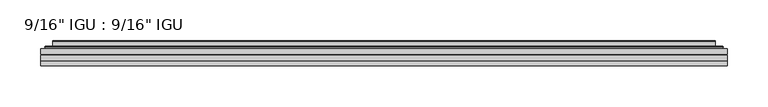
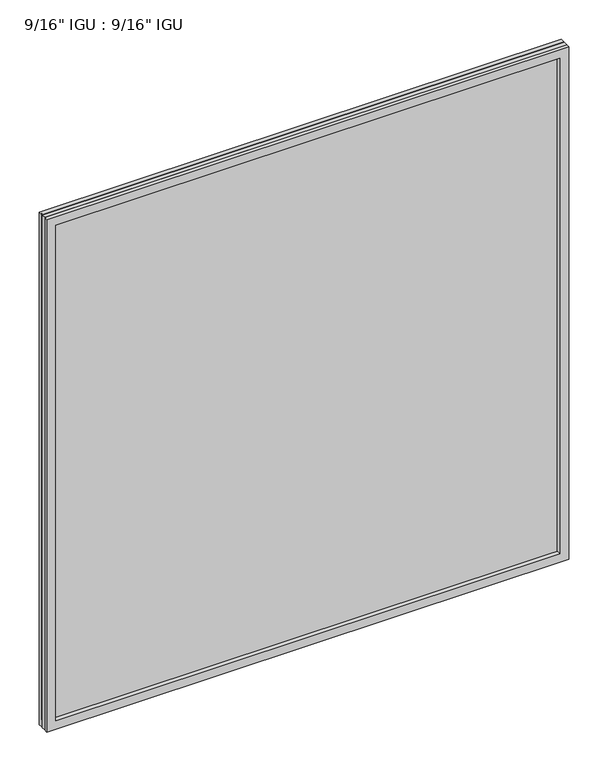
"""IFC4 building model written with IfcOpenShell, lengths in millimetres: plate geometry."""

import ifcopenshell
import ifcopenshell.guid

model = None  # the IFC model being written
_history = None  # IfcOwnerHistory: only IFC2X3 demands one
_inside = {}  # id of a spatial element -> (the spatial element, [elements in it])
_under = {}  # id of a project, library or spatial element -> (it, [spatial elements below it])
_declared = {}  # id of a project -> (the project, [libraries it declares])
_typed = {}  # id of a type object -> (the type object, [elements of that type])
_made_of = {}  # id of a material, layer set ... -> (it, [elements and type objects made of it])


def new_model(schema):
    """Start an empty IFC model of exactly this schema.

    Asked for "IFC4X3", IfcOpenShell would pick the latest addendum, in which some entities
    have other attributes; the version numbers below select the first issue.
    IFC2X3 requires an IfcOwnerHistory on every rooted entity: one is made here for all.
    """
    global model, _history
    if schema == "IFC4X3":
        model = ifcopenshell.file(schema_version=(4, 3, 0, 0))
    else:
        model = ifcopenshell.file(schema=schema)
    _inside.clear()
    _under.clear()
    _declared.clear()
    _typed.clear()
    _made_of.clear()
    _history = None
    if model.schema == "IFC2X3":
        org = make("IfcOrganization", Name="unknown")
        user = make(
            "IfcPersonAndOrganization",
            ThePerson=make("IfcPerson", FamilyName="unknown"),
            TheOrganization=org,
        )
        app = make(
            "IfcApplication",
            ApplicationDeveloper=org,
            Version="unknown",
            ApplicationFullName="unknown",
            ApplicationIdentifier="unknown",
        )
        _history = make(
            "IfcOwnerHistory",
            OwningUser=user,
            OwningApplication=app,
            ChangeAction="ADDED",
            CreationDate=0,
        )
    return model


def make(cls, **values):
    """One entity of the class cls with the attributes given. An attribute that is None is left unset."""
    return model.create_entity(
        cls, **{name: value for name, value in values.items() if value is not None}
    )


def rooted(cls, **values):
    """An entity with a GlobalId (a new one), such as an element, a storey or a relation."""
    return make(cls, GlobalId=ifcopenshell.guid.new(), OwnerHistory=_history, **values)


def si_unit(unit_type, name, prefix=None):
    """IfcSIUnit, for example si_unit("LENGTHUNIT", "METRE", prefix="MILLI")."""
    return make("IfcSIUnit", UnitType=unit_type, Prefix=prefix, Name=name)


def assignment(units):
    """IfcUnitAssignment: the units of a project."""
    return None if units is None else make("IfcUnitAssignment", Units=units)


def point(xyz):
    """IfcCartesianPoint."""
    return None if xyz is None else make("IfcCartesianPoint", Coordinates=xyz)


def direction(xyz):
    """IfcDirection."""
    return None if xyz is None else make("IfcDirection", DirectionRatios=xyz)


def frame(location, z_axis=None, x_axis=None):
    """IfcAxis2Placement3D, a coordinate frame: its origin and axes. An axis left out is left unset."""
    return make(
        "IfcAxis2Placement3D",
        Location=point(location),
        Axis=direction(z_axis),
        RefDirection=direction(x_axis),
    )


def origin():
    """The frame at (0, 0, 0) with its axes left unset."""
    return frame((0.0, 0.0, 0.0))


def place(relative_to, where):
    """IfcLocalPlacement: puts the frame where relative to a parent placement (None: the world)."""
    return make(
        "IfcLocalPlacement", PlacementRelTo=relative_to, RelativePlacement=where
    )


def context(
    kind, dimensions, precision=None, world=None, true_north=None, identifier=None
):
    """IfcGeometricRepresentationContext, for example the 3D "Model" context."""
    return make(
        "IfcGeometricRepresentationContext",
        ContextIdentifier=identifier,
        ContextType=kind,
        CoordinateSpaceDimension=dimensions,
        Precision=precision,
        WorldCoordinateSystem=world,
        TrueNorth=true_north,
    )


def project(units=None, contexts=None):
    """IfcProject with its units and contexts."""
    return rooted(
        "IfcProject",
        Name="project",
        RepresentationContexts=contexts,
        UnitsInContext=assignment(units),
    )


def spatial(cls, under=None, at=None, **own):
    """A site, building, storey or space (cls), placed at a placement, below another one or the project."""
    s = rooted(cls, ObjectPlacement=at, **own)
    if under is not None:
        _under.setdefault(under.id(), (under, []))[1].append(s)
    return s


def polyline(points):
    """IfcPolyline through the points."""
    return make("IfcPolyline", Points=[point(p) for p in points])


def ellipse_curve(where, semi_axis1, semi_axis2):
    """IfcEllipse in the frame where."""
    return make(
        "IfcEllipse", Position=where, SemiAxis1=semi_axis1, SemiAxis2=semi_axis2
    )


def outline(outer, holes=None, kind="AREA"):
    """IfcArbitraryClosedProfileDef: a profile drawn as a closed curve; with holes, ...WithVoids."""
    if holes is None:
        return make("IfcArbitraryClosedProfileDef", ProfileType=kind, OuterCurve=outer)
    return make(
        "IfcArbitraryProfileDefWithVoids",
        ProfileType=kind,
        OuterCurve=outer,
        InnerCurves=holes,
    )


def extrude(swept, where, along, depth):
    """IfcExtrudedAreaSolid: the profile swept, set in the frame where, extruded along a direction by depth."""
    return make(
        "IfcExtrudedAreaSolid",
        SweptArea=swept,
        Position=where,
        ExtrudedDirection=direction(along),
        Depth=depth,
    )


def faces_of(points, faces, orient=None, outer=None):
    """IfcFace entities. A face is a list of loops; a loop is a list of indices into points, from 0.

    orient and outer hold one flag for each loop. By default every Orientation is true, the
    first loop of a face is its IfcFaceOuterBound and the others are IfcFaceBound.
    """
    made = []
    for i, loops in enumerate(faces):
        bounds = []
        for j, loop in enumerate(loops):
            is_outer = j == 0 if outer is None else outer[i][j]
            bounds.append(
                make(
                    "IfcFaceOuterBound" if is_outer else "IfcFaceBound",
                    Bound=make("IfcPolyLoop", Polygon=[points[k] for k in loop]),
                    Orientation=True if orient is None else orient[i][j],
                )
            )
        made.append(make("IfcFace", Bounds=bounds))
    return made


def faceted_brep(points, faces, orient=None, outer=None, voids=None):
    """IfcFacetedBrep: a solid bounded by flat faces; with voids (closed shells), ...WithVoids."""
    shared = [point(p) for p in points]
    hull = make("IfcClosedShell", CfsFaces=faces_of(shared, faces, orient, outer))
    if voids is None:
        return make("IfcFacetedBrep", Outer=hull)
    return make(
        "IfcFacetedBrepWithVoids",
        Outer=hull,
        Voids=[
            make(cls, CfsFaces=faces_of(shared, fs, o, b)) for cls, fs, o, b in voids
        ],
    )


def shape(context_of_items, identifier, shape_type, items):
    """IfcShapeRepresentation: the items that make up one representation, for example the "Body"."""
    return make(
        "IfcShapeRepresentation",
        ContextOfItems=context_of_items,
        RepresentationIdentifier=identifier,
        RepresentationType=shape_type,
        Items=items,
    )


def source(mapping_origin, context_of_items, identifier, shape_type, items):
    """IfcRepresentationMap: a shape defined once, which mapped items show again and again."""
    return make(
        "IfcRepresentationMap",
        MappingOrigin=mapping_origin,
        MappedRepresentation=shape(context_of_items, identifier, shape_type, items),
    )


def transform(
    local_origin,
    x_axis=None,
    y_axis=None,
    z_axis=None,
    scale=None,
    scale2=None,
    scale3=None,
    uniform=True,
):
    """IfcCartesianTransformationOperator3D, or its non-uniform kind. x_axis, y_axis, z_axis: its Axis1, 2, 3."""
    if uniform:
        return make(
            "IfcCartesianTransformationOperator3D",
            Axis1=direction(x_axis),
            Axis2=direction(y_axis),
            LocalOrigin=point(local_origin),
            Scale=scale,
            Axis3=direction(z_axis),
        )
    return make(
        "IfcCartesianTransformationOperator3DnonUniform",
        Axis1=direction(x_axis),
        Axis2=direction(y_axis),
        LocalOrigin=point(local_origin),
        Scale=scale,
        Axis3=direction(z_axis),
        Scale2=scale2,
        Scale3=scale3,
    )


def mapped(mapping_source, mapping_target):
    """IfcMappedItem: shows the shape of a source again, moved by a transform."""
    return make(
        "IfcMappedItem", MappingSource=mapping_source, MappingTarget=mapping_target
    )


def made_of(thing, what):
    """Note that an element or type object is made of a material, layer set ...; save() writes the relation."""
    if what is not None:
        _made_of.setdefault(what.id(), (what, []))[1].append(thing)
    return thing


def element(
    cls,
    number,
    at=None,
    inside=None,
    cuts=None,
    type_object=None,
    material=None,
    context=None,
    identifier="Body",
    shape_type=None,
    held_by="IfcProductDefinitionShape",
    body=None,
    shapes=None,
    **own,
):
    """One element of the class cls, such as IfcWall. Its Tag is "e" and its number.

    at: its placement. inside: the storey or other place that contains it. cuts: it is an
    opening in that element (IfcRelVoidsElement). A single representation is given by context,
    identifier, shape_type and body (its items); several are given by shapes. held_by: the class
    of the entity that holds the representations. save() writes the other relations.
    """
    e = rooted(cls, Tag="e%d" % number, ObjectPlacement=at, **own)
    if body is not None:
        shapes = [shape(context, identifier, shape_type, body)]
    if shapes is not None:
        e.Representation = make(held_by, Representations=shapes)
    if inside is not None:
        _inside.setdefault(inside.id(), (inside, []))[1].append(e)
    if cuts is not None:
        rooted(
            "IfcRelVoidsElement", RelatingBuildingElement=cuts, RelatedOpeningElement=e
        )
    if type_object is not None:
        _typed.setdefault(type_object.id(), (type_object, []))[1].append(e)
    return made_of(e, material)


def aggregate(whole, parts):
    """IfcRelAggregates: a whole, such as a stair, and the parts it consists of."""
    return rooted("IfcRelAggregates", RelatingObject=whole, RelatedObjects=parts)


def save(model, path):
    """Write the relations noted so far, then the file.

    IfcRelAggregates (storeys below a building ...), IfcRelContainedInSpatialStructure (elements
    in a storey), IfcRelDefinesByType, IfcRelAssociatesMaterial and IfcRelDeclares: one each for
    every whole, place, type object, material and project.
    """
    for whole, parts in _under.values():
        aggregate(whole, parts)
    for where, things in _inside.values():
        rooted(
            "IfcRelContainedInSpatialStructure",
            RelatedElements=things,
            RelatingStructure=where,
        )
    for kind, things in _typed.values():
        rooted("IfcRelDefinesByType", RelatedObjects=things, RelatingType=kind)
    for what, things in _made_of.values():
        rooted("IfcRelAssociatesMaterial", RelatedObjects=things, RelatingMaterial=what)
    for by, libraries in _declared.values():
        rooted("IfcRelDeclares", RelatingContext=by, RelatedDefinitions=libraries)
    model.write(path)


def plane_surface(at):
    """IfcPlane: the flat surface through the origin of the frame at, square to its z axis."""
    return make("IfcPlane", Position=at)


def cylinder_surface(at, radius):
    """IfcCylindricalSurface: all points at the distance radius from the z axis of the frame at."""
    return make("IfcCylindricalSurface", Position=at, Radius=radius)


def advanced_brep(points, edges, surfaces, faces):
    """IfcAdvancedBrep: a solid bounded by faces that lie on surfaces and meet in shared edges.

    An edge is (start, end): straight between two places in points (the first is 0);
    or (start, end, curve); or (start, end, curve, False) where it runs against its curve.
    A face is (place in surfaces, loops), or (place, loops, False) where it looks against
    its surface's normal. A loop lists edges by number (the first is 1), with a minus sign
    where the edge is run from its end to its start. The first loop is the outer one.
    """
    corners = [point(p) for p in points]
    vertices = [make("IfcVertexPoint", VertexGeometry=c) for c in corners]
    made = []
    for start, end, *more in edges:
        made.append(
            make(
                "IfcEdgeCurve",
                EdgeStart=vertices[start],
                EdgeEnd=vertices[end],
                EdgeGeometry=more[0] if more else make("IfcPolyline", Points=[corners[start], corners[end]]),
                SameSense=more[1] if len(more) > 1 else True,
            )
        )
    hull = []
    for where, loops, *sense in faces:
        bounds = []
        for j, loop in enumerate(loops):
            ring = [make("IfcOrientedEdge", EdgeElement=made[abs(k) - 1], Orientation=k > 0) for k in loop]
            bounds.append(
                make(
                    "IfcFaceOuterBound" if j == 0 else "IfcFaceBound",
                    Bound=make("IfcEdgeLoop", EdgeList=ring),
                    Orientation=True,
                )
            )
        hull.append(make("IfcAdvancedFace", Bounds=bounds, FaceSurface=surfaces[where], SameSense=sense[0] if sense else True))
    return make("IfcAdvancedBrep", Outer=make("IfcClosedShell", CfsFaces=hull))


def plate_b37dffef(model_context):
    return source(origin(), model_context, "Body", "SolidModel", [
        extrude(outline(polyline([(419.1143106, -54.78145), (419.1143106, -61.1317818), (-419.1001356, -61.1317818), (-419.1001356, -54.78145), (419.1143106, -54.78145)])), frame((0.0, 0.0, -14.2875), z_axis=(0.0, 0.0, 1.0), x_axis=(1.0, 0.0, 0.0)), (0.0, 0.0, 1.0), 869.9537979),
        extrude(outline(polyline([(-419.1001356, -69.05625), (-419.1001356, -62.705745), (419.1143106, -62.705745), (419.1143106, -69.05625), (-419.1001356, -69.05625)])), frame((0.0, 0.0, -14.2875), z_axis=(0.0, 0.0, 1.0), x_axis=(1.0, 0.0, 0.0)), (0.0, 0.0, 1.0), 869.9537979),
        faceted_brep([(-419.1128356, -75.40625, 855.6752), (-419.1128356, -69.05625, 855.6752), (-419.1128356, -69.05625, -14.3002), (-419.1128356, -75.40625, -14.3002), (419.1128356, -69.05625, -14.3002), (419.1128356, -75.40625, -14.3002), (419.1128356, -69.05625, 855.6752), (419.1128356, -75.40625, 855.6752), (-403.9148915, -69.05625, 0.8977441), (403.9148915, -69.05625, 0.8977441), (403.9148915, -69.05625, 840.4772559), (-403.9148915, -69.05625, 840.4772559), (-404.8073258, -75.40625, 841.3696902), (404.8073258, -75.40625, 841.3696902), (404.8073258, -75.40625, 0.0053098), (-404.8073258, -75.40625, 0.0053098)], [[[0, 1, 2, 3]], [[3, 2, 4, 5]], [[5, 4, 6, 7]], [[1, 6, 4, 2], [8, 9, 10, 11]], [[7, 6, 1, 0]], [[3, 5, 7, 0], [12, 13, 14, 15]], [[11, 12, 15, 8]], [[8, 15, 14, 9]], [[9, 14, 13, 10]], [[10, 13, 12, 11]]]),
        advanced_brep(
        [(-411.8588547, -54.78145, 848.421219), (-414.21306, -52.7917833, 850.7754244), (-414.21306, -52.7917833, -9.4004244), (-411.8588547, -54.78145, -7.046219), (-402.7845295, -50.941413, 839.3468939), (-397.8496977, -54.78145, 834.4120621), (-397.8496977, -54.78145, 6.9629379), (-402.7845295, -50.941413, 2.0281061), (-403.8165573, -45.5441819, 840.3789217), (-403.8165573, -45.5441819, 0.9960783), (-404.8072141, -45.1452069, 841.3695784), (-404.8072141, -45.1452069, 0.0054216), (-404.8072141, -51.60645, 841.3695784), (-404.8072141, -51.60645, 0.0054216), (-413.2112705, -51.60645, 849.7736349), (-413.2112705, -51.60645, -8.3986349), (414.21306, -52.7917833, -9.4004244), (411.8588547, -54.78145, -7.046219), (397.8496977, -54.78145, 6.9629379), (402.7845295, -50.941413, 2.0281061), (403.8165573, -45.5441819, 0.9960783), (404.8072141, -45.1452069, 0.0054216), (404.8072141, -51.60645, 0.0054216), (413.2112705, -51.60645, -8.3986349), (414.21306, -52.7917833, 850.7754244), (411.8588547, -54.78145, 848.421219), (397.8496977, -54.78145, 834.4120621), (402.7845295, -50.941413, 839.3468939), (403.8165573, -45.5441819, 840.3789217), (404.8072141, -45.1452069, 841.3695784), (404.8072141, -51.60645, 841.3695784), (413.2112705, -51.60645, 849.7736349)],
        [
            (0, 1, ellipse_curve(frame((-411.8588547, -52.39385, 848.421219), z_axis=(-0.7071067811865475, 0.0, -0.7071067811865475), x_axis=(-0.7071067811865474, 0.0, 0.7071067811865476)), 3.3765763, 2.3876)),
            (1, 2),
            (2, 3, ellipse_curve(frame((-411.8588547, -52.39385, -7.046219), z_axis=(-0.7071067811865475, 0.0, 0.7071067811865475), x_axis=(0.7071067811865474, 0.0, 0.7071067811865476)), 3.3765763, 2.3876)),
            (3, 0),
            (4, 5),
            (5, 6),
            (6, 7),
            (7, 4),
            (8, 4),
            (7, 9),
            (9, 8),
            (10, 8, ellipse_curve(frame((-404.4402575, -45.6634423, 841.0026219), z_axis=(-0.7071067811865475, 0.0, -0.7071067811865475), x_axis=(-0.7071067811865474, 0.0, 0.7071067811865476)), 0.8980256, 0.635)),
            (9, 11, ellipse_curve(frame((-404.4402575, -45.6634423, 0.3723781), z_axis=(-0.7071067811865475, 0.0, 0.7071067811865475), x_axis=(0.7071067811865474, 0.0, 0.7071067811865476)), 0.8980256, 0.635)),
            (11, 10),
            (12, 10),
            (11, 13),
            (13, 12),
            (1, 14, ellipse_curve(frame((-413.2112705, -52.62245, 849.7736349), z_axis=(-0.7071067811865475, 0.0, -0.7071067811865475), x_axis=(-0.7071067811865474, 0.0, 0.7071067811865476)), 1.436841, 1.016)),
            (14, 15),
            (15, 2, ellipse_curve(frame((-413.2112705, -52.62245, -8.3986349), z_axis=(-0.7071067811865475, 0.0, 0.7071067811865475), x_axis=(0.7071067811865474, 0.0, 0.7071067811865476)), 1.436841, 1.016)),
            (2, 16),
            (16, 17, ellipse_curve(frame((411.8588547, -52.39385, -7.046219), z_axis=(-0.7071067811865475, 0.0, -0.7071067811865475), x_axis=(-0.7071067811865476, 0.0, 0.7071067811865474)), 3.3765763, 2.3876)),
            (17, 3),
            (6, 18),
            (18, 19),
            (19, 7),
            (19, 20),
            (20, 9),
            (20, 21, ellipse_curve(frame((404.4402575, -45.6634423, 0.3723781), z_axis=(-0.7071067811865475, 0.0, -0.7071067811865475), x_axis=(-0.7071067811865476, 0.0, 0.7071067811865474)), 0.8980256, 0.635)),
            (21, 11),
            (21, 22),
            (22, 13),
            (15, 23),
            (23, 16, ellipse_curve(frame((413.2112705, -52.62245, -8.3986349), z_axis=(-0.7071067811865475, 0.0, -0.7071067811865475), x_axis=(-0.7071067811865476, 0.0, 0.7071067811865474)), 1.436841, 1.016)),
            (16, 24),
            (24, 25, ellipse_curve(frame((411.8588547, -52.39385, 848.421219), z_axis=(0.7071067811865475, 0.0, -0.7071067811865475), x_axis=(-0.7071067811865474, 0.0, -0.7071067811865476)), 3.3765763, 2.3876)),
            (25, 17),
            (18, 26),
            (26, 27),
            (27, 19),
            (27, 28),
            (28, 20),
            (28, 29, ellipse_curve(frame((404.4402575, -45.6634423, 841.0026219), z_axis=(0.7071067811865475, 0.0, -0.7071067811865475), x_axis=(-0.7071067811865474, 0.0, -0.7071067811865476)), 0.8980256, 0.635)),
            (29, 21),
            (29, 30),
            (30, 22),
            (23, 31),
            (31, 24, ellipse_curve(frame((413.2112705, -52.62245, 849.7736349), z_axis=(0.7071067811865475, 0.0, -0.7071067811865475), x_axis=(-0.7071067811865474, 0.0, -0.7071067811865476)), 1.436841, 1.016)),
            (24, 1),
            (0, 25),
            (5, 26),
            (4, 27),
            (8, 28),
            (10, 29),
            (12, 30),
            (14, 31),
        ],
        [
            cylinder_surface(frame((-411.8588547, -52.39385, 873.125), z_axis=(0.0, 0.0, 1.0), x_axis=(-1.0, 0.0, 0.0)), 2.3876),
            plane_surface(frame((-397.8496977, -54.78145, 834.4120621), z_axis=(0.6141233906514794, 0.7892100234124821, 0.0), x_axis=(0.0, 0.0, -1.0))),
            plane_surface(frame((-402.7845295, -50.941413, 839.3468939), z_axis=(0.9822050625507728, 0.18781164793386085, 0.0), x_axis=(0.0, 0.0, -1.0))),
            cylinder_surface(frame((-404.4402575, -45.6634423, 873.125), z_axis=(0.0, 0.0, 1.0), x_axis=(-1.0, 0.0, 0.0)), 0.635),
            plane_surface(frame((-404.8072141, -45.1452069, 841.3695784), z_axis=(-1.0, 0.0, 0.0), x_axis=(0.0, 0.0, -1.0))),
            cylinder_surface(frame((-413.2112705, -52.62245, 873.125), z_axis=(0.0, 0.0, 1.0), x_axis=(-1.0, 0.0, 0.0)), 1.016),
            cylinder_surface(frame((-436.5626356, -52.39385, -7.046219), z_axis=(-1.0, 0.0, 0.0), x_axis=(0.0, 0.0, -1.0)), 2.3876),
            plane_surface(frame((-397.8496977, -54.78145, 6.9629379), z_axis=(0.0, 0.7892100234124841, 0.6141233906514768), x_axis=(1.0, 0.0, 0.0))),
            plane_surface(frame((-402.7845295, -50.941413, 2.0281061), z_axis=(0.0, 0.18781164793386404, 0.9822050625507722), x_axis=(1.0, 0.0, 0.0))),
            cylinder_surface(frame((-436.5626356, -45.6634423, 0.3723781), z_axis=(-1.0, 0.0, 0.0), x_axis=(0.0, 0.0, -1.0)), 0.635),
            plane_surface(frame((-404.8072141, -45.1452069, 0.0054216), z_axis=(0.0, 0.0, -1.0), x_axis=(1.0, 0.0, 0.0))),
            cylinder_surface(frame((-436.5626356, -52.62245, -8.3986349), z_axis=(-1.0, 0.0, 0.0), x_axis=(0.0, 0.0, -1.0)), 1.016),
            cylinder_surface(frame((411.8588547, -52.39385, -31.75), z_axis=(0.0, 0.0, -1.0), x_axis=(1.0, 0.0, 0.0)), 2.3876),
            plane_surface(frame((397.8496977, -54.78145, 6.9629379), z_axis=(-0.6141233906514743, 0.7892100234124861, 0.0), x_axis=(0.0, 0.0, 1.0))),
            plane_surface(frame((402.7845295, -50.941413, 2.0281061), z_axis=(-0.9822050625507717, 0.18781164793386723, 0.0), x_axis=(0.0, 0.0, 1.0))),
            cylinder_surface(frame((404.4402575, -45.6634423, -31.75), z_axis=(0.0, 0.0, -1.0), x_axis=(1.0, 0.0, 0.0)), 0.635),
            plane_surface(frame((404.8072141, -45.1452069, 0.0054216), z_axis=(1.0, 0.0, 0.0), x_axis=(0.0, 0.0, 1.0))),
            cylinder_surface(frame((413.2112705, -52.62245, -31.75), z_axis=(0.0, 0.0, -1.0), x_axis=(1.0, 0.0, 0.0)), 1.016),
            cylinder_surface(frame((436.5626356, -52.39385, 848.421219), z_axis=(1.0, 0.0, 0.0), x_axis=(0.0, 0.0, 1.0)), 2.3876),
            plane_surface(frame((411.8588547, -54.78145, 848.421219), z_axis=(0.0, -1.0, 0.0), x_axis=(-1.0, 0.0, 0.0))),
            plane_surface(frame((397.8496977, -54.78145, 834.4120621), z_axis=(0.0, 0.7892100234124841, -0.6141233906514768), x_axis=(-1.0, 0.0, 0.0))),
            plane_surface(frame((402.7845295, -50.941413, 839.3468939), z_axis=(0.0, 0.18781164793386404, -0.9822050625507722), x_axis=(-1.0, 0.0, 0.0))),
            cylinder_surface(frame((436.5626356, -45.6634423, 841.0026219), z_axis=(1.0, 0.0, 0.0), x_axis=(0.0, 0.0, 1.0)), 0.635),
            plane_surface(frame((404.8072141, -45.1452069, 841.3695784), z_axis=(0.0, 0.0, 1.0), x_axis=(-1.0, 0.0, 0.0))),
            plane_surface(frame((404.8072141, -51.60645, 841.3695784), z_axis=(0.0, 1.0, 0.0), x_axis=(-1.0, 0.0, 0.0))),
            cylinder_surface(frame((436.5626356, -52.62245, 849.7736349), z_axis=(1.0, 0.0, 0.0), x_axis=(0.0, 0.0, 1.0)), 1.016),
        ],
        [
            (0, [[1, 2, 3, 4]]),
            (1, [[5, 6, 7, 8]]),
            (2, [[9, -8, 10, 11]]),
            (3, [[12, -11, 13, 14]]),
            (4, [[15, -14, 16, 17]]),
            (5, [[18, 19, 20, -2]]),
            (6, [[-3, 21, 22, 23]]),
            (7, [[-7, 24, 25, 26]]),
            (8, [[-10, -26, 27, 28]]),
            (9, [[-13, -28, 29, 30]]),
            (10, [[-16, -30, 31, 32]]),
            (11, [[-20, 33, 34, -21]]),
            (12, [[-22, 35, 36, 37]]),
            (13, [[-25, 38, 39, 40]]),
            (14, [[-27, -40, 41, 42]]),
            (15, [[-29, -42, 43, 44]]),
            (16, [[-31, -44, 45, 46]]),
            (17, [[-34, 47, 48, -35]]),
            (18, [[-36, 49, -1, 50]]),
            (19, [[-23, -37, -50, -4], [51, -38, -24, -6]]),
            (20, [[-39, -51, -5, 52]]),
            (21, [[-41, -52, -9, 53]]),
            (22, [[-43, -53, -12, 54]]),
            (23, [[-45, -54, -15, 55]]),
            (24, [[56, -47, -33, -19], [-32, -46, -55, -17]]),
            (25, [[-48, -56, -18, -49]]),
        ],
    ),
    ])


if __name__ == "__main__":
    model = new_model("IFC4")
    model_context = context("Model", 3, world=origin())
    ifc_project = project(units=[si_unit("LENGTHUNIT", "METRE", prefix="MILLI")], contexts=[model_context])
    site = spatial("IfcSite", under=ifc_project)
    building = spatial("IfcBuilding", under=site)
    placement = place(None, origin())
    plate_shape = plate_b37dffef(model_context)
    element("IfcPlate", 1, ObjectType="9/16\" IGU : 9/16\" IGU", at=placement, inside=building, context=model_context, shape_type="MappedRepresentation", body=[
        mapped(plate_shape, transform((0.0, 0.0, 0.0), x_axis=(1.0, 0.0, 0.0), y_axis=(0.0, 1.0, 0.0), z_axis=(0.0, 0.0, 1.0))),
    ])
    save(model, "model.ifc")
